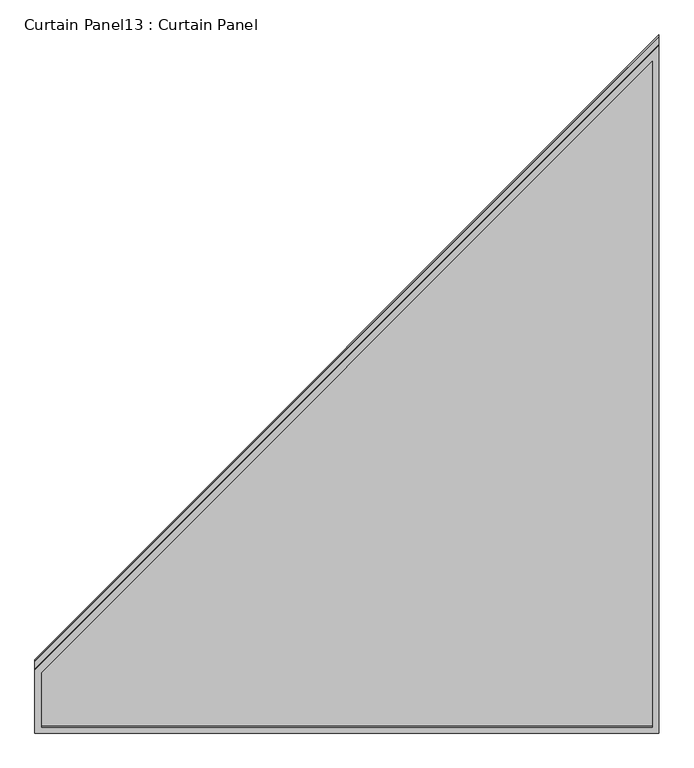
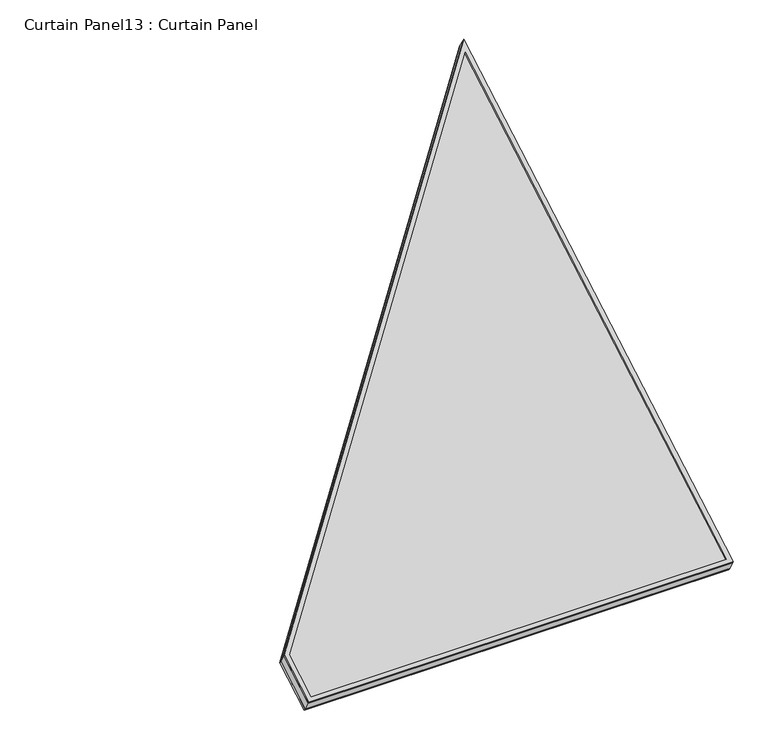
"""IFC4 building model written with IfcOpenShell, lengths in millimetres: plate geometry, Curtain Panel13 : Curtain Panel."""

from ifc_helpers import new_model, si_unit, frame, origin, place, context, project, spatial, polyline, outline, extrude, source, transform, mapped, element, save


def curtain_panel13_curtain_panel_47a88b4a(model_context):
    return source(origin(), model_context, "Body", "SweptSolid", [
        extrude(outline(polyline([(1504.1168398, -12.7), (-12.7, -12.7), (-12.7, 1181.1), (125.635337, 1181.1), (1504.1168398, -12.7)]), holes=[polyline([(120.9004634, 1168.4), (0.0, 1168.4), (0.0, 0.0), (1470.0525724, 0.0), (120.9004634, 1168.4)])]), frame((-9578.9692107, 5941.1294267, 606.4716499), z_axis=(0.0, -0.5000000000000022, 0.8660254037844374), x_axis=(0.0, 0.8660254037844374, 0.5000000000000022)), (0.0, 0.0, 1.0), 4.8005519),
        extrude(outline(polyline([(1504.1168398, -12.7), (-12.7, -12.7), (-12.7, 1181.1), (125.635337, 1181.1), (1504.1168398, -12.7)]), holes=[polyline([(120.9004635, 1168.4), (0.0, 1168.4), (0.0, 0.0), (1470.0525725, 0.0), (120.9004635, 1168.4)])]), frame((-9578.9692107, 5959.5571507, 574.5538956), z_axis=(0.0, -0.5000000000000026, 0.8660254037844373), x_axis=(0.0, 0.8660254037844373, 0.5000000000000026)), (0.0, 0.0, 1.0), 6.6929481),
        extrude(outline(polyline([(12.7, 0.0), (1206.5, 0.0), (1206.5, -138.335337), (12.7, -1516.8168397), (12.7, 0.0)])), frame((-9553.5692107, 5945.2121541, 574.0001587), z_axis=(0.0, -0.5000000000000002, 0.8660254037844386), x_axis=(-1.0, 0.0, 0.0)), (0.0, 0.0, 1.0), 30.1625),
    ])


if __name__ == "__main__":
    model = new_model("IFC4")
    model_context = context("Model", 3, world=origin())
    ifc_project = project(units=[si_unit("LENGTHUNIT", "METRE", prefix="MILLI")], contexts=[model_context])
    site = spatial("IfcSite", under=ifc_project)
    building = spatial("IfcBuilding", under=site)
    placement = place(None, origin())
    curtain_panel13_curtain_panel_shape = curtain_panel13_curtain_panel_47a88b4a(model_context)
    element("IfcPlate", 1, ObjectType="Curtain Panel13 : Curtain Panel", at=placement, inside=building, context=model_context, shape_type="MappedRepresentation", body=[
        mapped(curtain_panel13_curtain_panel_shape, transform((0.0, 0.0, 0.0), x_axis=(1.0, 0.0, 0.0), y_axis=(0.0, 1.0, 0.0), z_axis=(0.0, 0.0, 1.0))),
    ])
    save(model, "model.ifc")
